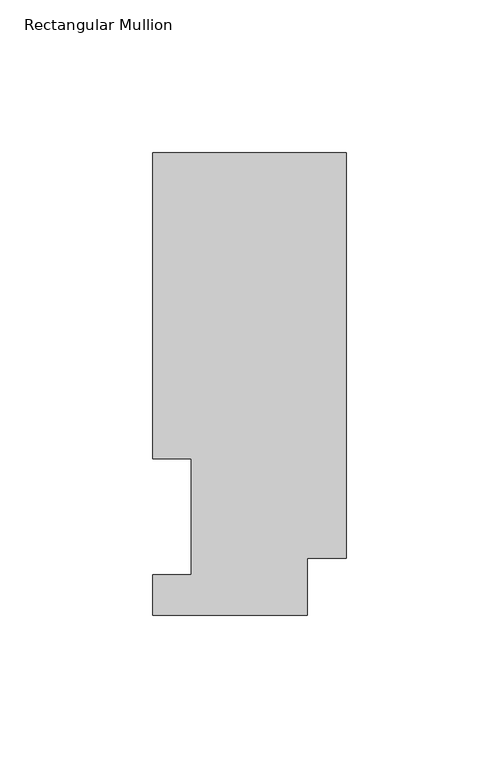
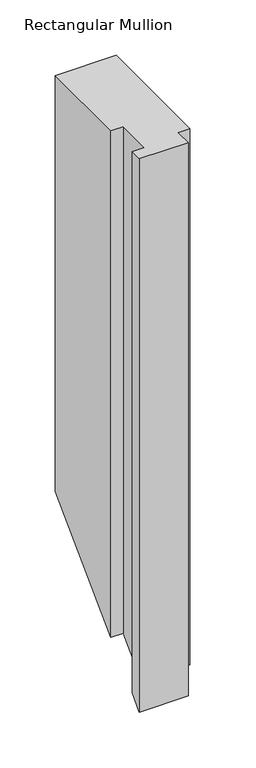
"""IFC4 building model written with IfcOpenShell, lengths in millimetres: member geometry, Rectangular Mullion."""

from ifc_helpers import new_model, si_unit, origin, place, context, project, spatial, faceted_brep, source, transform, mapped, element, save


def rectangular_mullion_6cd964f6(model_context):
    return source(origin(), model_context, "Body", "Brep", [
        faceted_brep([(-63.5, 151.7022937, 0.0), (-63.5, 51.2960937, 0.0), (-50.8, 51.2960938, 0.0), (-50.8, 13.1960938, 0.0), (-63.5, 13.1960938, 0.0), (-63.5, 0.0134937, 0.0), (-12.7, 0.0134937, 0.0), (-12.7, 18.7332937, 0.0), (0.0, 18.7332937, 0.0), (0.0, 151.7022937, 0.0), (-63.5, 151.7022937, -458.6624744), (-63.5, 51.2960937, -559.0686744), (-50.8, 51.2960937, -559.0686744), (-50.8, 13.1960938, -597.1686744), (-63.5, 13.1960938, -597.1686744), (-63.5, 0.0134937, -610.3512744), (-12.7, 0.0134937, -610.3512744), (-12.7, 18.7332937, -591.6314744), (0.0, 18.7332937, -591.6314744), (0.0, 151.7022937, -458.6624744)], [[[0, 1, 2, 3, 4, 5, 6, 7, 8, 9]], [[1, 0, 10, 11]], [[2, 1, 11, 12]], [[3, 2, 12, 13]], [[4, 3, 13, 14]], [[5, 4, 14, 15]], [[6, 5, 15, 16]], [[7, 6, 16, 17]], [[8, 7, 17, 18]], [[9, 8, 18, 19]], [[0, 9, 19, 10]], [[10, 19, 18, 17, 16, 15, 14, 13, 12, 11]]]),
    ])


if __name__ == "__main__":
    model = new_model("IFC4")
    model_context = context("Model", 3, world=origin())
    ifc_project = project(units=[si_unit("LENGTHUNIT", "METRE", prefix="MILLI")], contexts=[model_context])
    site = spatial("IfcSite", under=ifc_project)
    building = spatial("IfcBuilding", under=site)
    placement = place(None, origin())
    rectangular_mullion_shape = rectangular_mullion_6cd964f6(model_context)
    element("IfcMember", 1, ObjectType="Rectangular Mullion", at=placement, inside=building, context=model_context, shape_type="MappedRepresentation", body=[
        mapped(rectangular_mullion_shape, transform((0.0, 0.0, 0.0), x_axis=(1.0, 0.0, 0.0), y_axis=(0.0, 1.0, 0.0), z_axis=(0.0, 0.0, 1.0))),
    ])
    save(model, "model.ifc")
